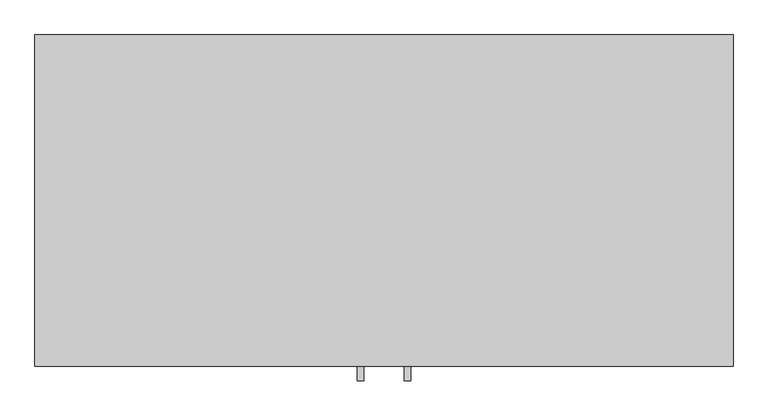
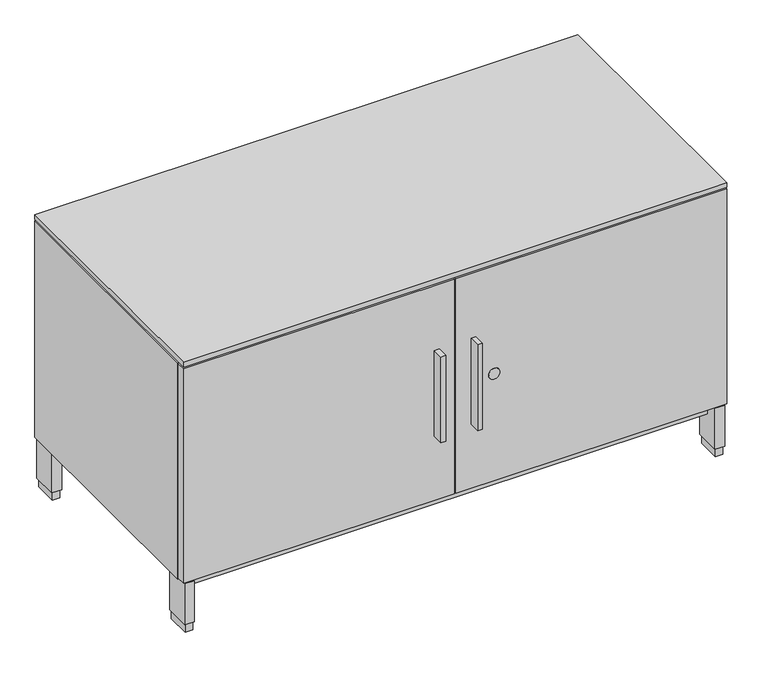
"""IFC4 building model written with IfcOpenShell, lengths in millimetres: furniture geometry."""

from ifc_helpers import new_model, si_unit, point, frame, frame_2d, origin, origin_with_axes, place, context, project, spatial, polyline, circle_curve, trimmed, segment, composite_curve, outline, extrude, faceted_brep, source, transform, mapped, element, save


def furniture_69aa9ff2(model_context):
    return source(origin(), model_context, "Body", "SolidModel", [
        extrude(outline(polyline([(492.6965, -528.574), (492.6965, -506.349), (502.2215, -506.349), (502.2215, -528.574), (492.6965, -528.574)])), frame((0.0, 0.0, 237.7947939), z_axis=(0.0, 0.0, 1.0), x_axis=(1.0, 0.0, 0.0)), (0.0, 0.0, 1.0), 177.8),
        extrude(outline(polyline([(574.1035, -528.574), (564.5785, -528.574), (564.5785, -506.349), (574.1035, -506.349), (574.1035, -528.574)])), frame((0.0, 0.0, 237.7947939), z_axis=(0.0, 0.0, 1.0), x_axis=(1.0, 0.0, 0.0)), (0.0, 0.0, 1.0), 177.8),
        extrude(outline(composite_curve([segment(trimmed(circle_curve(frame_2d((326.7075, 609.981)), 11.18616), [point((326.7075, 598.79484))], [point((326.7075, 621.16716))], False, "CARTESIAN"), True, "CONTINUOUS"), segment(trimmed(circle_curve(frame_2d((326.7075, 609.981)), 11.18616), [point((326.7075, 621.16716))], [point((326.7075, 598.79484))], False, "CARTESIAN"), True, "CONTINUOUS")], self_intersect=False)), frame((0.0, -506.603, 0.0), z_axis=(0.0, 1.0, 0.0), x_axis=(0.0, 0.0, 1.0)), (0.0, 0.0, 1.0), 3.429),
        extrude(outline(polyline([(531.8125, -506.349), (1.5875, -506.349), (1.5875, -487.045), (531.8125, -487.045), (531.8125, -506.349)])), frame((0.0, 0.0, 105.283), z_axis=(0.0, 0.0, 1.0), x_axis=(1.0, 0.0, 0.0)), (0.0, 0.0, 1.0), 444.5),
        extrude(outline(polyline([(1065.2125, -506.349), (534.9875, -506.349), (534.9875, -487.045), (1065.2125, -487.045), (1065.2125, -506.349)])), frame((0.0, 0.0, 105.283), z_axis=(0.0, 0.0, 1.0), x_axis=(1.0, 0.0, 0.0)), (0.0, 0.0, 1.0), 444.5),
        extrude(outline(polyline([(23.4569, -3.556), (23.4569, -54.356), (4.4069, -54.356), (4.4069, -3.556), (23.4569, -3.556)])), frame((0.0, 0.0, 17.399), z_axis=(0.0, 0.0, 1.0), x_axis=(1.0, 0.0, 0.0)), (0.0, 0.0, 1.0), 84.709),
        extrude(outline(polyline([(1062.3931, -3.556), (1062.3931, -54.356), (1043.3431, -54.356), (1043.3431, -3.556), (1062.3931, -3.556)])), frame((0.0, 0.0, 17.399), z_axis=(0.0, 0.0, 1.0), x_axis=(1.0, 0.0, 0.0)), (0.0, 0.0, 1.0), 84.709),
        extrude(outline(polyline([(1062.3931, -453.898), (1062.3931, -504.698), (1043.3431, -504.698), (1043.3431, -453.898), (1062.3931, -453.898)])), frame((0.0, 0.0, 17.399), z_axis=(0.0, 0.0, 1.0), x_axis=(1.0, 0.0, 0.0)), (0.0, 0.0, 1.0), 84.709),
        extrude(outline(polyline([(23.4569, -453.898), (23.4569, -504.698), (4.4069, -504.698), (4.4069, -453.898), (23.4569, -453.898)])), frame((0.0, 0.0, 17.399), z_axis=(0.0, 0.0, 1.0), x_axis=(1.0, 0.0, 0.0)), (0.0, 0.0, 1.0), 84.709),
        extrude(outline(polyline([(1064.514, -487.045), (3.8735, -487.045), (3.8735, -2.3114), (1064.514, -2.3114), (1064.514, -487.045)])), frame((0.0, 0.0, 549.783), z_axis=(0.0, 0.0, 1.0), x_axis=(1.0, 0.0, 0.0)), (0.0, 0.0, 1.0), 1.905),
        extrude(outline(polyline([(21.2979, -5.715), (21.2979, -52.197), (6.5659, -52.197), (6.5659, -5.715), (21.2979, -5.715)])), origin_with_axes(), (0.0, 0.0, 1.0), 17.399),
        extrude(outline(polyline([(1060.2341, -5.715), (1060.2341, -52.197), (1045.5021, -52.197), (1045.5021, -5.715), (1060.2341, -5.715)])), origin_with_axes(), (0.0, 0.0, 1.0), 17.399),
        extrude(outline(polyline([(1060.2341, -456.057), (1060.2341, -502.539), (1045.5021, -502.539), (1045.5021, -456.057), (1060.2341, -456.057)])), origin_with_axes(), (0.0, 0.0, 1.0), 17.399),
        extrude(outline(polyline([(21.2979, -456.057), (21.2979, -502.539), (6.5659, -502.539), (6.5659, -456.057), (21.2979, -456.057)])), origin_with_axes(), (0.0, 0.0, 1.0), 17.399),
        extrude(outline(polyline([(1065.2125, -506.349), (1.5875, -506.349), (1.5875, -1.524), (1065.2125, -1.524), (1065.2125, -506.349)])), frame((0.0, 0.0, 553.2882), z_axis=(0.0, 0.0, 1.0), x_axis=(1.0, 0.0, 0.0)), (0.0, 0.0, 1.0), 9.525),
        extrude(outline(polyline([(1043.3431, -480.5537946), (23.4569, -480.5537946), (23.4569, -26.9983538), (1043.3431, -26.9983538), (1043.3431, -480.5537946)])), frame((0.0, 0.0, 76.708), z_axis=(0.0, 0.0, 1.0), x_axis=(1.0, 0.0, 0.0)), (0.0, 0.0, 1.0), 25.4),
        faceted_brep([(1065.2125, -1.524, 549.783), (1065.2125, -1.524, 102.108), (1.5875, -1.524, 102.108), (1.5875, -1.524, 549.783), (1.5875, -487.045, 549.783), (1065.2125, -487.045, 549.783), (1.5875, -487.045, 102.108), (1065.2125, -487.045, 102.108), (1042.9875, -23.749, 532.3078), (23.8125, -23.749, 532.3078), (23.8125, -23.749, 122.7582), (1042.9875, -23.749, 122.7582), (1042.9875, -487.045, 532.3078), (23.8125, -487.045, 532.3078), (23.8125, -487.045, 122.7582), (1042.9875, -487.045, 122.7582)], [[[0, 1, 2, 3]], [[0, 3, 4, 5]], [[3, 2, 6, 4]], [[2, 1, 7, 6]], [[1, 0, 5, 7]], [[8, 9, 10, 11]], [[9, 8, 12, 13]], [[10, 9, 13, 14]], [[11, 10, 14, 15]], [[8, 11, 15, 12]], [[5, 4, 6, 7], [13, 12, 15, 14]]]),
    ])


if __name__ == "__main__":
    model = new_model("IFC4")
    model_context = context("Model", 3, world=origin())
    ifc_project = project(units=[si_unit("LENGTHUNIT", "METRE", prefix="MILLI")], contexts=[model_context])
    site = spatial("IfcSite", under=ifc_project)
    building = spatial("IfcBuilding", under=site)
    placement = place(None, origin())
    furniture_shape = furniture_69aa9ff2(model_context)
    element("IfcFurniture", 1, at=placement, inside=building, context=model_context, shape_type="MappedRepresentation", body=[
        mapped(furniture_shape, transform((0.0, 0.0, 0.0), x_axis=(1.0, 0.0, 0.0), y_axis=(0.0, 1.0, 0.0), z_axis=(0.0, 0.0, 1.0))),
    ])
    save(model, "model.ifc")
